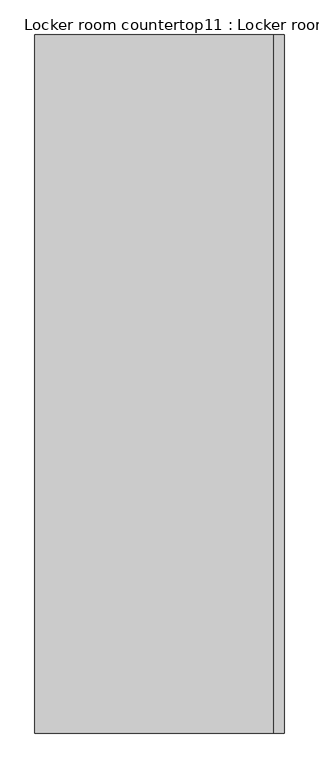
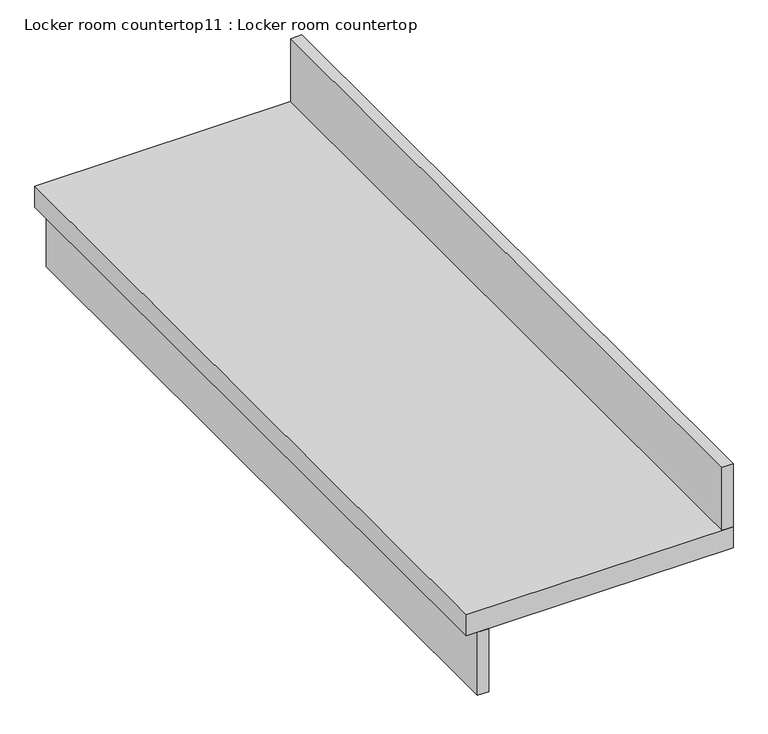
"""IFC4 building model written with IfcOpenShell, lengths in millimetres: furniture geometry, Locker room countertop11 : Locker room countertop."""

from ifc_helpers import new_model, si_unit, frame, origin, place, context, project, spatial, polyline, outline, extrude, source, transform, mapped, element, save


def locker_room_countertop11_locker_room_countertop_2f281b40(model_context):
    return source(origin(), model_context, "Body", "SweptSolid", [
        extrude(outline(polyline([(107649.7967613, -125967.5202671), (107649.7967613, -124259.3702671), (107675.1967613, -124259.3702671), (107675.1967613, -125967.5202671), (107649.7967613, -125967.5202671)])), frame((0.0, 0.0, 660.4), z_axis=(0.0, 0.0, 1.0), x_axis=(1.0, 0.0, 0.0)), (0.0, 0.0, 1.0), 152.4),
        extrude(outline(polyline([(108208.5967613, -124259.3702671), (108233.9967613, -124259.3702671), (108233.9967613, -125967.5202671), (108208.5967613, -125967.5202671), (108208.5967613, -124259.3702671)])), frame((0.0, 0.0, 863.6), z_axis=(0.0, 0.0, 1.0), x_axis=(1.0, 0.0, 0.0)), (0.0, 0.0, 1.0), 152.4),
        extrude(outline(polyline([(107624.3967613, -124259.3702671), (108233.9967613, -124259.3702671), (108233.9967613, -125967.5202671), (107624.3967613, -125967.5202671), (107624.3967613, -124259.3702671)])), frame((0.0, 0.0, 812.8), z_axis=(0.0, 0.0, 1.0), x_axis=(1.0, 0.0, 0.0)), (0.0, 0.0, 1.0), 50.8),
    ])


if __name__ == "__main__":
    model = new_model("IFC4")
    model_context = context("Model", 3, world=origin())
    ifc_project = project(units=[si_unit("LENGTHUNIT", "METRE", prefix="MILLI")], contexts=[model_context])
    site = spatial("IfcSite", under=ifc_project)
    building = spatial("IfcBuilding", under=site)
    placement = place(None, origin())
    locker_room_countertop11_locker_room_countertop_shape = locker_room_countertop11_locker_room_countertop_2f281b40(model_context)
    element("IfcFurniture", 1, ObjectType="Locker room countertop11 : Locker room countertop", at=placement, inside=building, context=model_context, shape_type="MappedRepresentation", body=[
        mapped(locker_room_countertop11_locker_room_countertop_shape, transform((0.0, 0.0, 0.0), x_axis=(1.0, 0.0, 0.0), y_axis=(0.0, 1.0, 0.0), z_axis=(0.0, 0.0, 1.0))),
    ])
    save(model, "model.ifc")
